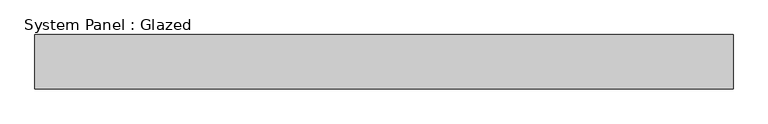
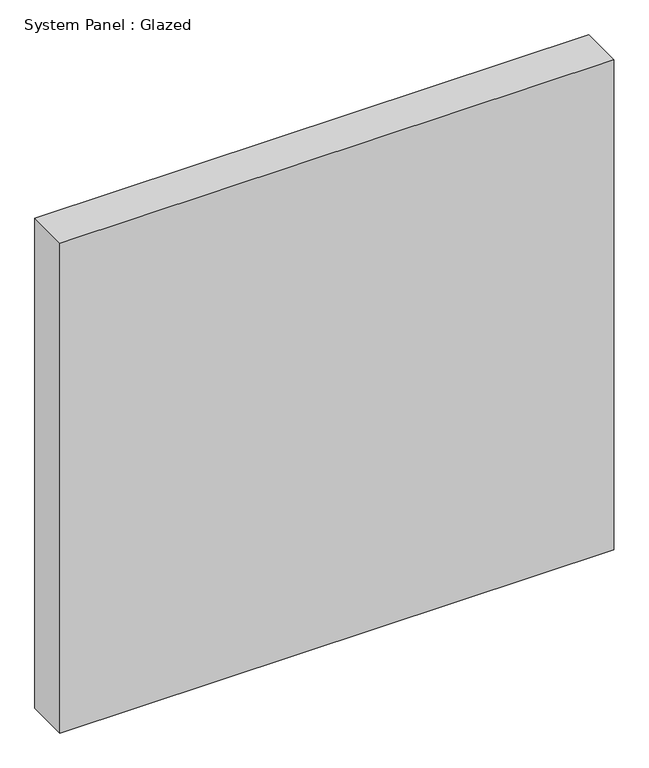
"""IFC4 building model written with IfcOpenShell, lengths in millimetres: plate geometry, System Panel : Glazed."""

from ifc_helpers import new_model, si_unit, origin, origin_with_axes, place, context, project, spatial, polyline, outline, extrude, source, transform, mapped, element, save


def system_panel_glazed_14a159ff(model_context):
    return source(origin(), model_context, "Body", "SweptSolid", [
        extrude(outline(polyline([(641.5, 50.0), (-641.5, 50.0), (-641.5, 150.0), (641.5, 150.0), (641.5, 50.0)])), origin_with_axes(), (0.0, 0.0, 1.0), 1200.0),
    ])


if __name__ == "__main__":
    model = new_model("IFC4")
    model_context = context("Model", 3, world=origin())
    ifc_project = project(units=[si_unit("LENGTHUNIT", "METRE", prefix="MILLI")], contexts=[model_context])
    site = spatial("IfcSite", under=ifc_project)
    building = spatial("IfcBuilding", under=site)
    placement = place(None, origin())
    system_panel_glazed_shape = system_panel_glazed_14a159ff(model_context)
    element("IfcPlate", 1, ObjectType="System Panel : Glazed", at=placement, inside=building, context=model_context, shape_type="MappedRepresentation", body=[
        mapped(system_panel_glazed_shape, transform((0.0, 0.0, 0.0), x_axis=(1.0, 0.0, 0.0), y_axis=(0.0, 1.0, 0.0), z_axis=(0.0, 0.0, 1.0))),
    ])
    save(model, "model.ifc")
